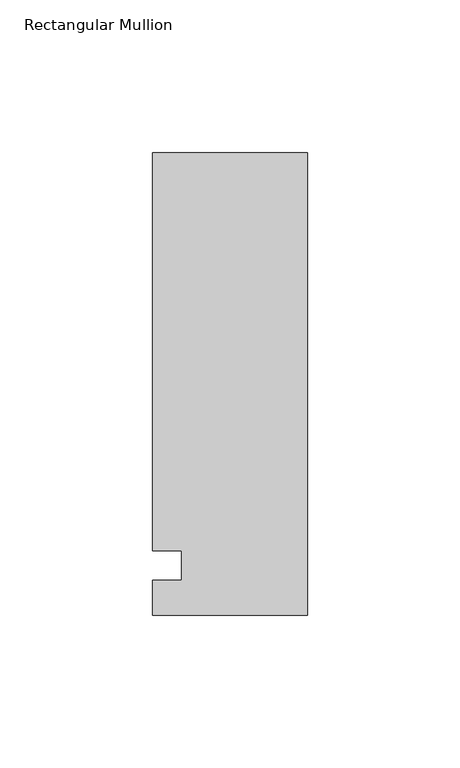
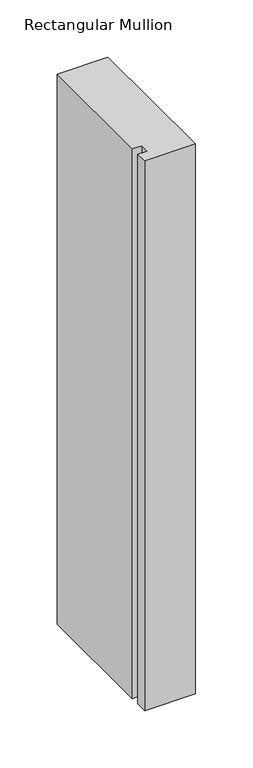
"""IFC4 building model written with IfcOpenShell, lengths in millimetres: member geometry, Rectangular Mullion."""

from ifc_helpers import new_model, si_unit, frame, origin, place, context, project, spatial, polyline, outline, extrude, source, transform, mapped, element, save


def rectangular_mullion_00facecc(model_context):
    return source(origin(), model_context, "Body", "SweptSolid", [
        extrude(outline(polyline([(-50.8, -25.7961253), (-50.8, -14.2875), (-41.275, -14.2875), (-41.275, -4.7625), (-50.8, -4.7625), (-50.8, 125.8036906), (0.0, 125.8036906), (0.0, -25.7961253), (-50.8, -25.7961253)])), frame((0.0, 0.0, -584.2), z_axis=(0.0, 0.0, 1.0), x_axis=(1.0, 0.0, 0.0)), (0.0, 0.0, 1.0), 584.2),
    ])


if __name__ == "__main__":
    model = new_model("IFC4")
    model_context = context("Model", 3, world=origin())
    ifc_project = project(units=[si_unit("LENGTHUNIT", "METRE", prefix="MILLI")], contexts=[model_context])
    site = spatial("IfcSite", under=ifc_project)
    building = spatial("IfcBuilding", under=site)
    placement = place(None, origin())
    rectangular_mullion_shape = rectangular_mullion_00facecc(model_context)
    element("IfcMember", 1, ObjectType="Rectangular Mullion", at=placement, inside=building, context=model_context, shape_type="MappedRepresentation", body=[
        mapped(rectangular_mullion_shape, transform((0.0, 0.0, 0.0), x_axis=(1.0, 0.0, 0.0), y_axis=(0.0, 1.0, 0.0), z_axis=(0.0, 0.0, 1.0))),
    ])
    save(model, "model.ifc")
